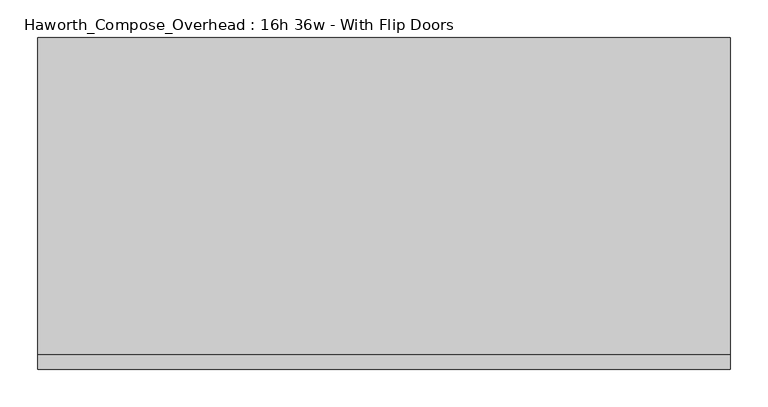
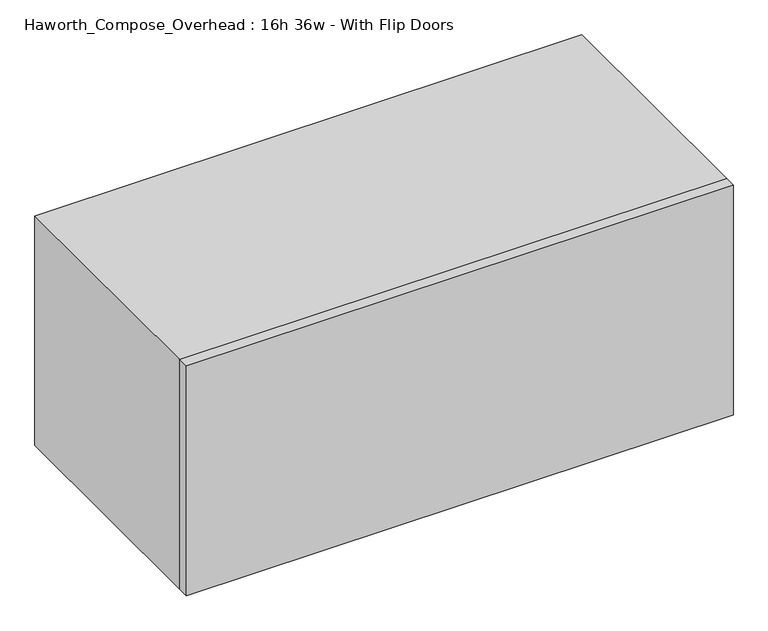
"""IFC4 building model written with IfcOpenShell, lengths in millimetres: furniture geometry, Haworth_Compose_Overhead : 16h 36w - With Flip Doors."""

from ifc_helpers import new_model, si_unit, frame, origin, place, context, project, spatial, polyline, outline, extrude, source, transform, mapped, element, save


def haworth_compose_overhead_16h_36w_with_flip_doors_1a16e8dc(model_context):
    return source(origin(), model_context, "Body", "SweptSolid", [
        extrude(outline(polyline([(622.3, -438.15), (-292.1, -438.15), (-292.1, -419.1), (622.3, -419.1), (622.3, -438.15)])), frame((0.0, 0.0, 1270.0), z_axis=(0.0, 0.0, 1.0), x_axis=(1.0, 0.0, 0.0)), (0.0, 0.0, 1.0), 406.4),
        extrude(outline(polyline([(596.9, -6.35), (-266.7, -6.35), (-266.7, 0.0), (596.9, 0.0), (596.9, -6.35)])), frame((0.0, 0.0, 1295.4), z_axis=(0.0, 0.0, 1.0), x_axis=(1.0, 0.0, 0.0)), (0.0, 0.0, 1.0), 355.6),
        extrude(outline(polyline([(1270.0, 622.3), (1676.4, 622.3), (1676.4, -292.1), (1270.0, -292.1), (1270.0, 622.3)]), holes=[polyline([(1651.0, 596.9), (1295.4, 596.9), (1295.4, -266.7), (1651.0, -266.7), (1651.0, 596.9)])]), frame((0.0, -419.1, 0.0), z_axis=(0.0, 1.0, 0.0), x_axis=(0.0, 0.0, 1.0)), (0.0, 0.0, 1.0), 419.1),
    ])


if __name__ == "__main__":
    model = new_model("IFC4")
    model_context = context("Model", 3, world=origin())
    ifc_project = project(units=[si_unit("LENGTHUNIT", "METRE", prefix="MILLI")], contexts=[model_context])
    site = spatial("IfcSite", under=ifc_project)
    building = spatial("IfcBuilding", under=site)
    placement = place(None, origin())
    haworth_compose_overhead_16h_36w_with_flip_doors_shape = haworth_compose_overhead_16h_36w_with_flip_doors_1a16e8dc(model_context)
    element("IfcFurniture", 1, ObjectType="Haworth_Compose_Overhead : 16h 36w - With Flip Doors", at=placement, inside=building, context=model_context, shape_type="MappedRepresentation", body=[
        mapped(haworth_compose_overhead_16h_36w_with_flip_doors_shape, transform((0.0, 0.0, 0.0), x_axis=(1.0, 0.0, 0.0), y_axis=(0.0, 1.0, 0.0), z_axis=(0.0, 0.0, 1.0))),
    ])
    save(model, "model.ifc")
